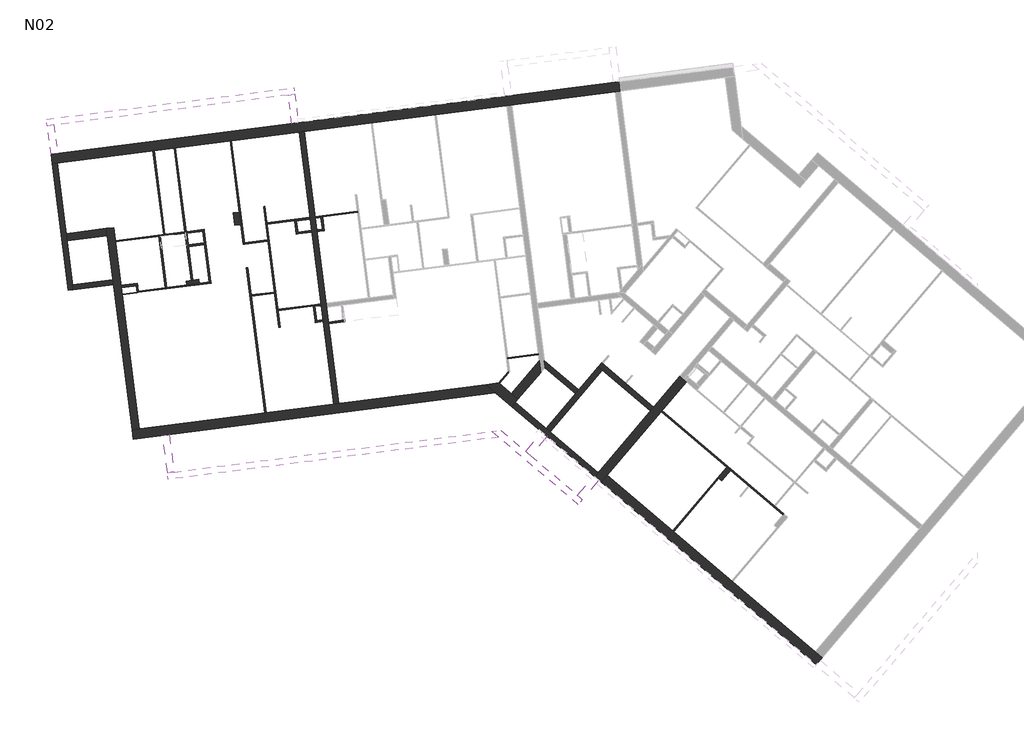
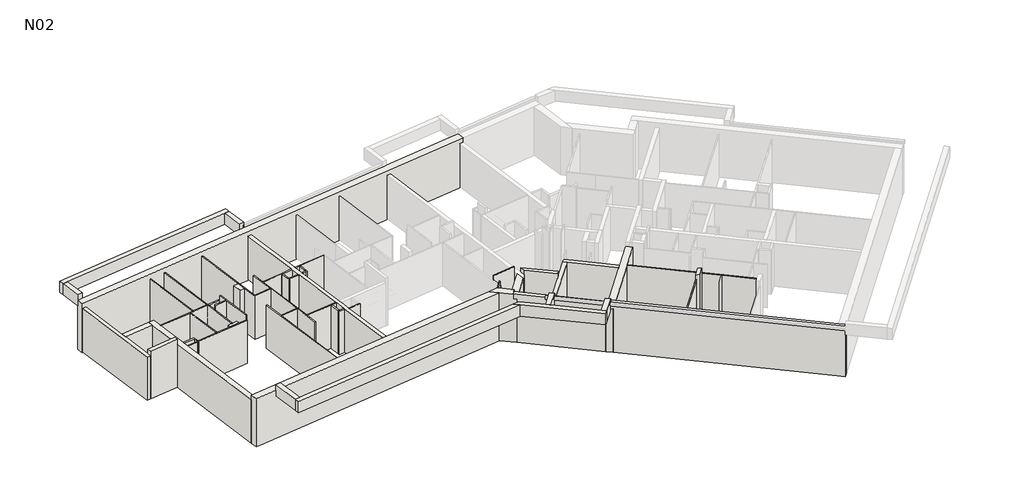
# One storey, part 1 of 3: 60 walls.
"""IFC4 building model written with IfcOpenShell, lengths in millimetres."""

import ifcopenshell
import ifcopenshell.guid

model = None  # the IFC model being written
_history = None  # IfcOwnerHistory: only IFC2X3 demands one
_inside = {}  # id of a spatial element -> (the spatial element, [elements in it])
_under = {}  # id of a project, library or spatial element -> (it, [spatial elements below it])
_declared = {}  # id of a project -> (the project, [libraries it declares])
_typed = {}  # id of a type object -> (the type object, [elements of that type])
_made_of = {}  # id of a material, layer set ... -> (it, [elements and type objects made of it])


def new_model(schema):
    """Start an empty IFC model of exactly this schema.

    Asked for "IFC4X3", IfcOpenShell would pick the latest addendum, in which some entities
    have other attributes; the version numbers below select the first issue.
    IFC2X3 requires an IfcOwnerHistory on every rooted entity: one is made here for all.
    """
    global model, _history
    if schema == "IFC4X3":
        model = ifcopenshell.file(schema_version=(4, 3, 0, 0))
    else:
        model = ifcopenshell.file(schema=schema)
    _inside.clear()
    _under.clear()
    _declared.clear()
    _typed.clear()
    _made_of.clear()
    _history = None
    if model.schema == "IFC2X3":
        org = make("IfcOrganization", Name="unknown")
        user = make(
            "IfcPersonAndOrganization",
            ThePerson=make("IfcPerson", FamilyName="unknown"),
            TheOrganization=org,
        )
        app = make(
            "IfcApplication",
            ApplicationDeveloper=org,
            Version="unknown",
            ApplicationFullName="unknown",
            ApplicationIdentifier="unknown",
        )
        _history = make(
            "IfcOwnerHistory",
            OwningUser=user,
            OwningApplication=app,
            ChangeAction="ADDED",
            CreationDate=0,
        )
    return model


def make(cls, **values):
    """One entity of the class cls with the attributes given. An attribute that is None is left unset."""
    return model.create_entity(
        cls, **{name: value for name, value in values.items() if value is not None}
    )


def rooted(cls, **values):
    """An entity with a GlobalId (a new one), such as an element, a storey or a relation."""
    return make(cls, GlobalId=ifcopenshell.guid.new(), OwnerHistory=_history, **values)


def si_unit(unit_type, name, prefix=None):
    """IfcSIUnit, for example si_unit("LENGTHUNIT", "METRE", prefix="MILLI")."""
    return make("IfcSIUnit", UnitType=unit_type, Prefix=prefix, Name=name)


def assignment(units):
    """IfcUnitAssignment: the units of a project."""
    return None if units is None else make("IfcUnitAssignment", Units=units)


def point(xyz):
    """IfcCartesianPoint."""
    return None if xyz is None else make("IfcCartesianPoint", Coordinates=xyz)


def direction(xyz):
    """IfcDirection."""
    return None if xyz is None else make("IfcDirection", DirectionRatios=xyz)


def frame(location, z_axis=None, x_axis=None):
    """IfcAxis2Placement3D, a coordinate frame: its origin and axes. An axis left out is left unset."""
    return make(
        "IfcAxis2Placement3D",
        Location=point(location),
        Axis=direction(z_axis),
        RefDirection=direction(x_axis),
    )


def origin():
    """The frame at (0, 0, 0) with its axes left unset."""
    return frame((0.0, 0.0, 0.0))


def place(relative_to, where):
    """IfcLocalPlacement: puts the frame where relative to a parent placement (None: the world)."""
    return make(
        "IfcLocalPlacement", PlacementRelTo=relative_to, RelativePlacement=where
    )


def context(
    kind, dimensions, precision=None, world=None, true_north=None, identifier=None
):
    """IfcGeometricRepresentationContext, for example the 3D "Model" context."""
    return make(
        "IfcGeometricRepresentationContext",
        ContextIdentifier=identifier,
        ContextType=kind,
        CoordinateSpaceDimension=dimensions,
        Precision=precision,
        WorldCoordinateSystem=world,
        TrueNorth=true_north,
    )


def project(units=None, contexts=None):
    """IfcProject with its units and contexts."""
    return rooted(
        "IfcProject",
        Name="project",
        RepresentationContexts=contexts,
        UnitsInContext=assignment(units),
    )


def spatial(cls, under=None, at=None, **own):
    """A site, building, storey or space (cls), placed at a placement, below another one or the project."""
    s = rooted(cls, ObjectPlacement=at, **own)
    if under is not None:
        _under.setdefault(under.id(), (under, []))[1].append(s)
    return s


def polyline(points):
    """IfcPolyline through the points."""
    return make("IfcPolyline", Points=[point(p) for p in points])


def outline(outer, holes=None, kind="AREA"):
    """IfcArbitraryClosedProfileDef: a profile drawn as a closed curve; with holes, ...WithVoids."""
    if holes is None:
        return make("IfcArbitraryClosedProfileDef", ProfileType=kind, OuterCurve=outer)
    return make(
        "IfcArbitraryProfileDefWithVoids",
        ProfileType=kind,
        OuterCurve=outer,
        InnerCurves=holes,
    )


def extrude(swept, where, along, depth):
    """IfcExtrudedAreaSolid: the profile swept, set in the frame where, extruded along a direction by depth."""
    return make(
        "IfcExtrudedAreaSolid",
        SweptArea=swept,
        Position=where,
        ExtrudedDirection=direction(along),
        Depth=depth,
    )


def faces_of(points, faces, orient=None, outer=None):
    """IfcFace entities. A face is a list of loops; a loop is a list of indices into points, from 0.

    orient and outer hold one flag for each loop. By default every Orientation is true, the
    first loop of a face is its IfcFaceOuterBound and the others are IfcFaceBound.
    """
    made = []
    for i, loops in enumerate(faces):
        bounds = []
        for j, loop in enumerate(loops):
            is_outer = j == 0 if outer is None else outer[i][j]
            bounds.append(
                make(
                    "IfcFaceOuterBound" if is_outer else "IfcFaceBound",
                    Bound=make("IfcPolyLoop", Polygon=[points[k] for k in loop]),
                    Orientation=True if orient is None else orient[i][j],
                )
            )
        made.append(make("IfcFace", Bounds=bounds))
    return made


def faceted_brep(points, faces, orient=None, outer=None, voids=None):
    """IfcFacetedBrep: a solid bounded by flat faces; with voids (closed shells), ...WithVoids."""
    shared = [point(p) for p in points]
    hull = make("IfcClosedShell", CfsFaces=faces_of(shared, faces, orient, outer))
    if voids is None:
        return make("IfcFacetedBrep", Outer=hull)
    return make(
        "IfcFacetedBrepWithVoids",
        Outer=hull,
        Voids=[
            make(cls, CfsFaces=faces_of(shared, fs, o, b)) for cls, fs, o, b in voids
        ],
    )


def shape(context_of_items, identifier, shape_type, items):
    """IfcShapeRepresentation: the items that make up one representation, for example the "Body"."""
    return make(
        "IfcShapeRepresentation",
        ContextOfItems=context_of_items,
        RepresentationIdentifier=identifier,
        RepresentationType=shape_type,
        Items=items,
    )


def made_of(thing, what):
    """Note that an element or type object is made of a material, layer set ...; save() writes the relation."""
    if what is not None:
        _made_of.setdefault(what.id(), (what, []))[1].append(thing)
    return thing


def element(
    cls,
    number,
    at=None,
    inside=None,
    cuts=None,
    type_object=None,
    material=None,
    context=None,
    identifier="Body",
    shape_type=None,
    held_by="IfcProductDefinitionShape",
    body=None,
    shapes=None,
    **own,
):
    """One element of the class cls, such as IfcWall. Its Tag is "e" and its number.

    at: its placement. inside: the storey or other place that contains it. cuts: it is an
    opening in that element (IfcRelVoidsElement). A single representation is given by context,
    identifier, shape_type and body (its items); several are given by shapes. held_by: the class
    of the entity that holds the representations. save() writes the other relations.
    """
    e = rooted(cls, Tag="e%d" % number, ObjectPlacement=at, **own)
    if body is not None:
        shapes = [shape(context, identifier, shape_type, body)]
    if shapes is not None:
        e.Representation = make(held_by, Representations=shapes)
    if inside is not None:
        _inside.setdefault(inside.id(), (inside, []))[1].append(e)
    if cuts is not None:
        rooted(
            "IfcRelVoidsElement", RelatingBuildingElement=cuts, RelatedOpeningElement=e
        )
    if type_object is not None:
        _typed.setdefault(type_object.id(), (type_object, []))[1].append(e)
    return made_of(e, material)


def aggregate(whole, parts):
    """IfcRelAggregates: a whole, such as a stair, and the parts it consists of."""
    return rooted("IfcRelAggregates", RelatingObject=whole, RelatedObjects=parts)


def save(model, path):
    """Write the relations noted so far, then the file.

    IfcRelAggregates (storeys below a building ...), IfcRelContainedInSpatialStructure (elements
    in a storey), IfcRelDefinesByType, IfcRelAssociatesMaterial and IfcRelDeclares: one each for
    every whole, place, type object, material and project.
    """
    for whole, parts in _under.values():
        aggregate(whole, parts)
    for where, things in _inside.values():
        rooted(
            "IfcRelContainedInSpatialStructure",
            RelatedElements=things,
            RelatingStructure=where,
        )
    for kind, things in _typed.values():
        rooted("IfcRelDefinesByType", RelatedObjects=things, RelatingType=kind)
    for what, things in _made_of.values():
        rooted("IfcRelAssociatesMaterial", RelatedObjects=things, RelatingMaterial=what)
    for by, libraries in _declared.values():
        rooted("IfcRelDeclares", RelatingContext=by, RelatedDefinitions=libraries)
    model.write(path)


model = new_model("IFC4")

# Units and contexts
model_context = context("Model", 3, world=origin())
ifc_project = project(units=[si_unit("LENGTHUNIT", "METRE", prefix="MILLI")], contexts=[model_context])

# Site, building, storey
site = spatial("IfcSite", under=ifc_project)
building = spatial("IfcBuilding", under=site)
storey = spatial("IfcBuildingStorey", under=building, Name="N02", Elevation=5840.0)

# Walls
placement = place(None, origin())
element("IfcWall", 1, at=placement, inside=storey, context=model_context, shape_type="Brep", body=[
    faceted_brep([(19080.8771151, 3373.318121, 5840.0), (18798.7778311, 3612.7340644, 5840.0), (15531.8242191, 6385.3776887, 5840.0), (15493.7026942, 6417.7311946, 5840.0), (13191.8131736, 8371.3308048, 5840.0), (13153.6916488, 8403.6843107, 5840.0), (10566.9673175, 10599.0214892, 5840.0), (10566.9673175, 10599.0214892, 8340.0), (10269.6194235, 10851.378835, 8340.0), (10269.6194235, 10851.378835, 8610.0), (10566.9673175, 10599.0214892, 8610.0), (18798.7778311, 3612.7340644, 8610.0), (19080.8771151, 3373.318121, 8610.0), (10327.551374, 10316.9222052, 5840.0), (18559.3618877, 3330.6347804, 5840.0), (18841.4611717, 3091.218837, 5840.0), (18841.4611717, 3091.218837, 8610.0), (10327.551374, 10316.9222052, 8610.0), (10030.2034801, 10569.279551, 8610.0), (10030.2034801, 10569.279551, 8340.0), (10060.7007, 10543.3967463, 8340.0), (10327.551374, 10316.9222052, 8340.0), (10172.5589059, 10737.0142604, 8610.0), (10172.5589059, 10737.0142604, 8340.0)], [[[0, 1, 2, 3, 4, 5, 6, 7, 8, 9, 10, 11, 12]], [[13, 14, 15, 16, 17, 18, 19, 20, 21]], [[6, 5, 4, 3, 2, 1, 0, 15, 14, 13]], [[12, 11, 10, 9, 22, 18, 17, 16]], [[0, 12, 16, 15]], [[6, 13, 21, 7]], [[18, 22, 9, 8, 23, 19]], [[8, 7, 21, 20, 19, 23]]]),
])
element("IfcWall", 2, at=placement, inside=storey, context=model_context, shape_type="Brep", body=[
    faceted_brep([(5758.2370181, 14194.8714572, 5840.0), (-70.9867131, 13449.8467438, 5840.0), (-269.3729541, 13424.4912832, 5840.0), (-7972.5911161, 12439.9540329, 5840.0), (-8260.2511655, 12403.1886151, 5840.0), (-8260.2511655, 12403.1886151, 8340.0), (-8260.2511655, 12403.1886151, 8610.0), (5758.2370181, 14194.8714572, 8610.0), (-8213.3435635, 12036.1740692, 5840.0), (-7925.683514, 12072.939487, 5840.0), (6140.2224716, 13870.6827304, 5840.0), (6140.2224716, 13870.6827304, 8610.0), (-8213.3435635, 12036.1740692, 8610.0)], [[[0, 1, 2, 3, 4, 5, 6, 7]], [[8, 9, 10, 11, 12]], [[4, 3, 2, 1, 0, 10, 9, 8]], [[7, 6, 12, 11]], [[0, 7, 11, 10]], [[6, 5, 4, 8, 12]]]),
])
element("IfcWall", 3, at=placement, inside=storey, context=model_context, shape_type="Brep", body=[
    faceted_brep([(10327.551374, 10316.9222052, 5840.0), (10566.9673175, 10599.0214892, 5840.0), (12710.0141102, 13124.1330466, 5840.0), (12742.3676161, 13162.2545715, 5840.0), (13700.7356476, 14291.4815212, 5840.0), (13700.7356476, 14291.4815212, 8340.0), (12742.3676161, 13162.2545715, 8340.0), (12710.0141102, 13124.1330466, 8340.0), (10566.9673175, 10599.0214892, 8340.0), (10327.551374, 10316.9222052, 8340.0), (13433.8849736, 14517.9560622, 5840.0), (12403.0945249, 13303.3951464, 5840.0), (12273.6805015, 13150.909047, 5840.0), (10203.0561258, 10711.1314557, 5840.0), (10060.7007, 10543.3967463, 5840.0), (10060.7007, 10543.3967463, 8340.0), (10203.0561258, 10711.1314557, 8340.0), (12273.6805015, 13150.909047, 8340.0), (12403.0945249, 13303.3951464, 8340.0), (13433.8849736, 14517.9560622, 8340.0), (13586.371073, 14388.5420388, 5840.0), (13647.3655128, 14336.7764294, 5840.0), (13586.371073, 14388.5420388, 8340.0)], [[[0, 1, 2, 3, 4, 5, 6, 7, 8, 9]], [[10, 11, 12, 13, 14, 15, 16, 17, 18, 19]], [[4, 3, 2, 1, 0, 14, 13, 12, 11, 10, 20, 21]], [[9, 8, 7, 6, 5, 22, 19, 18, 17, 16, 15]], [[0, 9, 15, 14]], [[5, 4, 21, 20, 10, 19, 22]]]),
])
element("IfcWall", 4, at=placement, inside=storey, context=model_context, shape_type="Brep", body=[
    faceted_brep([(12403.0945249, 13303.3951464, 5840.0), (11305.1946088, 14235.1761155, 5840.0), (11267.073084, 14267.5296214, 5840.0), (10382.6537071, 15018.1309575, 5840.0), (10344.5321823, 15050.4844634, 5840.0), (10344.5321823, 15050.4844634, 8340.0), (12403.0945249, 13303.3951464, 8340.0), (12273.6805015, 13150.909047, 5840.0), (12273.6805015, 13150.909047, 8340.0), (10367.6042582, 14768.5843405, 8340.0), (10215.1181588, 14897.9983639, 8340.0), (10215.1181588, 14897.9983639, 5840.0), (10367.6042582, 14768.5843405, 5840.0)], [[[0, 1, 2, 3, 4, 5, 6]], [[7, 8, 9, 10, 11, 12]], [[4, 3, 2, 1, 0, 7, 12, 11]], [[6, 5, 10, 9, 8]], [[5, 4, 11, 10]], [[0, 6, 8, 7]]]),
])
element("IfcWall", 5, at=placement, inside=storey, context=model_context, shape_type="SweptSolid", body=[
    extrude(outline(polyline([(8144.4937831, 12458.2207726), (10215.1181588, 14897.9983639), (10367.6042582, 14768.5843405), (8296.9798826, 12328.8067492), (8144.4937831, 12458.2207726)])), frame((0.0, 0.0, 5840.0), z_axis=(0.0, 0.0, 1.0), x_axis=(1.0, 0.0, 0.0)), (0.0, 0.0, 1.0), 2500.0),
])
element("IfcWall", 6, at=placement, inside=storey, context=model_context, shape_type="Brep", body=[
    faceted_brep([(7021.6826483, 13607.8829857, 5840.0), (7925.3724793, 14672.6836444, 5840.0), (7925.3724793, 14672.6836444, 8340.0), (7021.6826483, 13607.8829857, 8340.0), (6754.8319743, 13834.3575268, 5840.0), (6754.8319743, 13834.3575268, 8340.0), (7865.2890942, 15142.7881766, 8340.0), (7865.2890942, 15142.7881766, 5840.0), (6888.2573113, 13721.1202563, 8340.0)], [[[0, 1, 2, 3]], [[4, 5, 6, 7]], [[1, 0, 4, 7]], [[3, 2, 6, 5, 8]], [[2, 1, 7, 6]], [[0, 3, 8, 5, 4]]]),
])
element("IfcWall", 7, at=placement, inside=storey, context=model_context, shape_type="Brep", body=[
    faceted_brep([(10203.0561258, 10711.1314557, 5840.0), (8296.9798826, 12328.8067492, 5840.0), (8144.4937831, 12458.2207726, 5840.0), (6924.6221307, 13493.5184111, 5840.0), (6924.6221307, 13493.5184111, 8340.0), (6791.1967937, 13606.7556817, 8340.0), (6791.1967937, 13606.7556817, 8610.0), (6924.6221307, 13493.5184111, 8610.0), (10172.5589059, 10737.0142604, 8610.0), (10172.5589059, 10737.0142604, 8340.0), (10203.0561258, 10711.1314557, 8340.0), (6782.2667049, 13325.7837017, 5840.0), (10060.7007, 10543.3967463, 5840.0), (10060.7007, 10543.3967463, 8340.0), (10030.2034801, 10569.279551, 8340.0), (10030.2034801, 10569.279551, 8610.0), (6782.2667049, 13325.7837017, 8610.0), (6648.8413679, 13439.0209723, 8610.0), (6648.8413679, 13439.0209723, 8340.0), (6782.2667049, 13325.7837017, 8340.0)], [[[0, 1, 2, 3, 4, 5, 6, 7, 8, 9, 10]], [[11, 12, 13, 14, 15, 16, 17, 18, 19]], [[3, 2, 1, 0, 12, 11]], [[6, 17, 16, 15, 8, 7]], [[17, 6, 5, 18]], [[18, 5, 4, 19]], [[4, 3, 11, 19]], [[0, 10, 13, 12]], [[14, 9, 8, 15]], [[9, 14, 13, 10]]]),
])
element("IfcWall", 8, at=placement, inside=storey, context=model_context, shape_type="Brep", body=[
    faceted_brep([(7021.6826483, 13607.8829857, 5840.0), (6754.8319743, 13834.3575268, 5840.0), (6293.3261913, 14226.0346728, 5840.0), (6255.2046664, 14258.3881787, 5840.0), (6255.2046664, 14258.3881787, 8610.0), (6293.3261913, 14226.0346728, 8610.0), (6888.2573113, 13721.1202563, 8610.0), (6888.2573113, 13721.1202563, 8340.0), (7021.6826483, 13607.8829857, 8340.0), (6782.2667049, 13325.7837017, 5840.0), (6782.2667049, 13325.7837017, 8340.0), (6648.8413679, 13439.0209723, 8340.0), (6648.8413679, 13439.0209723, 8610.0), (6140.2224716, 13870.6827304, 8610.0), (5758.2370181, 14194.8714572, 8610.0), (5758.2370181, 14194.8714572, 5840.0), (6140.2224716, 13870.6827304, 5840.0), (6924.6221307, 13493.5184111, 5840.0), (6791.1967937, 13606.7556817, 8610.0), (6791.1967937, 13606.7556817, 8340.0), (6924.6221307, 13493.5184111, 8340.0)], [[[0, 1, 2, 3, 4, 5, 6, 7, 8]], [[9, 10, 11, 12, 13, 14, 15, 16]], [[3, 2, 1, 0, 17, 9, 16, 15]], [[6, 5, 4, 14, 13, 12, 18]], [[7, 6, 18, 12, 11, 19]], [[7, 19, 11, 10, 20, 8]], [[0, 8, 20, 10, 9, 17]], [[4, 3, 15, 14]]]),
])
element("IfcWall", 9, at=placement, inside=storey, context=model_context, shape_type="Brep", body=[
    faceted_brep([(8089.348342, 14865.8933062, 5840.0), (9309.2199944, 13830.5956677, 5840.0), (9309.2199944, 13830.5956677, 8610.0), (8089.348342, 14865.8933062, 8610.0), (8066.276266, 15147.7934292, 5840.0), (8066.276266, 15147.7934292, 8610.0), (9438.6340179, 13983.0817672, 8610.0), (9438.6340179, 13983.0817672, 5840.0), (8100.609629, 14879.1622679, 5840.0), (8100.609629, 14879.1622679, 8610.0), (8100.609629, 14879.1622679, 8340.0)], [[[0, 1, 2, 3]], [[4, 5, 6, 7]], [[1, 0, 8, 4, 7]], [[3, 2, 6, 5, 9]], [[2, 1, 7, 6]], [[0, 3, 9, 10, 8]], [[9, 5, 4, 8, 10]]]),
])
element("IfcWall", 10, at=placement, inside=storey, context=model_context, shape_type="Brep", body=[
    faceted_brep([(-11422.5288425, 22947.3623567, 5840.0), (-10780.4703476, 17923.7671021, 5840.0), (-10780.4703476, 17923.7671021, 8340.0), (-11422.5288425, 22947.3623567, 8340.0), (-11224.1426015, 22972.7178173, 5840.0), (-11224.1426015, 22972.7178173, 8340.0), (-10866.6306077, 20175.4718191, 8340.0), (-10829.8651899, 19887.8117696, 8340.0), (-10582.0841066, 17949.1225626, 8340.0), (-10582.0841066, 17949.1225626, 5840.0), (-10607.4395672, 18147.5088036, 5840.0), (-10829.8651899, 19887.8117696, 5840.0), (-10866.6306077, 20175.4718191, 5840.0)], [[[0, 1, 2, 3]], [[4, 5, 6, 7, 8, 9, 10, 11, 12]], [[1, 0, 4, 12, 11, 10, 9]], [[3, 2, 8, 7, 6, 5]], [[2, 1, 9, 8]], [[0, 3, 5, 4]]]),
])
element("IfcWall", 11, at=placement, inside=storey, context=model_context, shape_type="Brep", body=[
    faceted_brep([(-9279.5406797, 20378.3155035, 5840.0), (-9242.7752619, 20090.655454, 5840.0), (-9020.3496391, 18350.352488, 5840.0), (-8994.9941786, 18151.966247, 5840.0), (-8260.2511655, 12403.1886151, 5840.0), (-8260.2511655, 12403.1886151, 8340.0), (-9242.7752619, 20090.655454, 8340.0), (-9279.5406797, 20378.3155035, 8340.0), (-8991.8806302, 20415.0809213, 5840.0), (-8991.8806302, 20415.0809213, 8340.0), (-7972.5911161, 12439.9540329, 8340.0), (-7972.5911161, 12439.9540329, 5840.0)], [[[0, 1, 2, 3, 4, 5, 6, 7]], [[8, 9, 10, 11]], [[4, 3, 2, 1, 0, 8, 11]], [[7, 6, 5, 10, 9]], [[5, 4, 11, 10]], [[0, 7, 9, 8]]]),
])
element("IfcWall", 12, at=placement, inside=storey, context=model_context, shape_type="Brep", body=[
    faceted_brep([(-10582.0841066, 17949.1225626, 5840.0), (-8994.9941786, 18151.966247, 5840.0), (-8994.9941786, 18151.966247, 8610.0), (-10582.0841066, 17949.1225626, 8610.0), (-10582.0841066, 17949.1225626, 8340.0), (-10607.4395672, 18147.5088036, 5840.0), (-10607.4395672, 18147.5088036, 8610.0), (-9020.3496391, 18350.352488, 8610.0), (-9020.3496391, 18350.352488, 5840.0)], [[[0, 1, 2, 3, 4]], [[5, 6, 7, 8]], [[1, 0, 5, 8]], [[3, 2, 7, 6]], [[0, 4, 3, 6, 5]], [[2, 1, 8, 7]]]),
])
element("IfcWall", 13, at=placement, inside=storey, context=model_context, shape_type="Brep", body=[
    faceted_brep([(5996.4358323, 12340.1039215, 8280.0), (-6597.3795676, 10730.5064617, 8280.0), (-6855.2816809, 10697.544363, 8280.0), (-6855.2816809, 10697.544363, 8920.0), (-6597.3795676, 10730.5064617, 8920.0), (5996.4358323, 12340.1039215, 8920.0), (6264.8580429, 12112.2956269, 8280.0), (6264.8580429, 12112.2956269, 8920.0), (-6822.3195822, 10439.6422497, 8920.0), (-6822.3195822, 10439.6422497, 8280.0)], [[[0, 1, 2, 3, 4, 5]], [[6, 7, 8, 9]], [[2, 1, 0, 6, 9]], [[5, 4, 3, 8, 7]], [[3, 2, 9, 8]], [[0, 5, 7, 6]]]),
])
element("IfcWall", 14, at=placement, inside=storey, context=model_context, shape_type="SweptSolid", body=[
    extrude(outline(polyline([(-6787.5455217, 12218.4032693), (-6597.3795676, 10730.5064617), (-6855.2816809, 10697.544363), (-7045.447635, 12185.4411706), (-6787.5455217, 12218.4032693)])), frame((0.0, 0.0, 8280.0), z_axis=(0.0, 0.0, 1.0), x_axis=(1.0, 0.0, 0.0)), (0.0, 0.0, 1.0), 640.0),
])
element("IfcWall", 15, at=placement, inside=storey, context=model_context, shape_type="Brep", body=[
    faceted_brep([(-11422.5288425, 22947.3623567, 5780.0), (11059.542887, 25820.7636569, 5780.0), (11059.542887, 25820.7636569, 8610.0), (-11422.5288425, 22947.3623567, 8610.0), (-11422.5288425, 22947.3623567, 8340.0), (-11422.5288425, 22947.3623567, 5840.0), (-11469.4364445, 23314.3769026, 5780.0), (-11469.4364445, 23314.3769026, 8280.0), (-11469.4364445, 23314.3769026, 8610.0), (11012.6352849, 26187.7782028, 8610.0), (11012.6352849, 26187.7782028, 5780.0)], [[[0, 1, 2, 3, 4, 5]], [[6, 7, 8, 9, 10]], [[1, 0, 6, 10]], [[3, 2, 9, 8]], [[0, 5, 4, 3, 8, 7, 6]], [[1, 10, 9, 2]]]),
])
element("IfcWall", 16, at=placement, inside=storey, context=model_context, shape_type="Brep", body=[
    faceted_brep([(-70.9867131, 13449.8467438, 5840.0), (-473.9945737, 16603.0615871, 5840.0), (-482.8689849, 16672.4967715, 5840.0), (-557.6675935, 17257.7361824, 5840.0), (-577.951962, 17416.4451752, 5840.0), (-940.7002122, 20254.6607005, 5840.0), (-949.5746234, 20324.0958849, 5840.0), (-1007.8709805, 20780.2183489, 5840.0), (-1016.7453916, 20849.6535333, 5840.0), (-1447.788221, 24222.2196304, 5840.0), (-1447.788221, 24222.2196304, 8340.0), (-1016.7453916, 20849.6535333, 8340.0), (-1007.8709805, 20780.2183489, 8340.0), (-949.5746234, 20324.0958849, 8340.0), (-940.7002122, 20254.6607005, 8340.0), (-577.951962, 17416.4451752, 8340.0), (-557.6675935, 17257.7361824, 8340.0), (-482.8689849, 16672.4967715, 8340.0), (-473.9945737, 16603.0615871, 8340.0), (-70.9867131, 13449.8467438, 8340.0), (-269.3729541, 13424.4912832, 5840.0), (-269.3729541, 13424.4912832, 8340.0), (-687.1148175, 16692.9879378, 8340.0), (-695.9892287, 16762.4231222, 8340.0), (-767.4637918, 17321.6545303, 8340.0), (-776.338203, 17391.0897147, 8340.0), (-1139.0864532, 20229.30524, 8340.0), (-1147.9608644, 20298.7404243, 8340.0), (-1205.6445371, 20750.0691226, 8340.0), (-1214.5189483, 20819.5043069, 8340.0), (-1646.174462, 24196.8641698, 8340.0), (-1646.174462, 24196.8641698, 5840.0), (-1214.5189483, 20819.5043069, 5840.0), (-1205.6445371, 20750.0691226, 5840.0), (-1147.9608644, 20298.7404243, 5840.0), (-1139.0864532, 20229.30524, 5840.0), (-776.338203, 17391.0897147, 5840.0), (-767.4637918, 17321.6545303, 5840.0), (-695.9892287, 16762.4231222, 5840.0), (-687.1148175, 16692.9879378, 5840.0)], [[[0, 1, 2, 3, 4, 5, 6, 7, 8, 9, 10, 11, 12, 13, 14, 15, 16, 17, 18, 19]], [[20, 21, 22, 23, 24, 25, 26, 27, 28, 29, 30, 31, 32, 33, 34, 35, 36, 37, 38, 39]], [[9, 8, 7, 6, 5, 4, 3, 2, 1, 0, 20, 39, 38, 37, 36, 35, 34, 33, 32, 31]], [[19, 18, 17, 16, 15, 14, 13, 12, 11, 10, 30, 29, 28, 27, 26, 25, 24, 23, 22, 21]], [[0, 19, 21, 20]], [[10, 9, 31, 30]]]),
])
element("IfcWall", 17, at=placement, inside=storey, context=model_context, shape_type="Brep", body=[
    faceted_brep([(-11613.9625697, 24445.1784763, 8280.0), (-11356.0604564, 24478.140575, 8280.0), (-2075.6716784, 25664.2537367, 8280.0), (-1817.7695651, 25697.2158355, 8280.0), (-1817.7695651, 25697.2158355, 8920.0), (-2075.6716784, 25664.2537367, 8920.0), (-11356.0604564, 24478.140575, 8920.0), (-11613.9625697, 24445.1784763, 8920.0), (-11646.9246684, 24703.0805896, 8280.0), (-11646.9246684, 24703.0805896, 8920.0), (-1850.7316638, 25955.1179488, 8920.0), (-1850.7316638, 25955.1179488, 8280.0)], [[[0, 1, 2, 3, 4, 5, 6, 7]], [[8, 9, 10, 11]], [[3, 2, 1, 0, 8, 11]], [[7, 6, 5, 4, 10, 9]], [[0, 7, 9, 8]], [[4, 3, 11, 10]]]),
])
element("IfcWall", 18, at=placement, inside=storey, context=model_context, shape_type="Brep", body=[
    faceted_brep([(-11613.9625697, 24445.1784763, 8280.0), (-11469.4364445, 23314.3769026, 8280.0), (-11469.4364445, 23314.3769026, 8610.0), (-11469.4364445, 23314.3769026, 8920.0), (-11613.9625697, 24445.1784763, 8920.0), (-11356.0604564, 24478.140575, 8280.0), (-11356.0604564, 24478.140575, 8920.0), (-11211.5343312, 23347.3390013, 8920.0), (-11211.5343312, 23347.3390013, 8280.0)], [[[0, 1, 2, 3, 4]], [[5, 6, 7, 8]], [[1, 0, 5, 8]], [[4, 3, 7, 6]], [[0, 4, 6, 5]], [[1, 8, 7, 3, 2]]]),
])
element("IfcWall", 19, at=placement, inside=storey, context=model_context, shape_type="SweptSolid", body=[
    extrude(outline(polyline([(-1931.1455533, 24533.452163), (-2075.6716784, 25664.2537367), (-1817.7695651, 25697.2158355), (-1673.2434399, 24566.4142617), (-1931.1455533, 24533.452163)])), frame((0.0, 0.0, 8280.0), z_axis=(0.0, 0.0, 1.0), x_axis=(1.0, 0.0, 0.0)), (0.0, 0.0, 1.0), 640.0),
])
element("IfcWall", 20, at=placement, inside=storey, context=model_context, shape_type="Brep", body=[
    faceted_brep([(5996.4358323, 12340.1039215, 8280.0), (6264.8580429, 12112.2956269, 8280.0), (9413.1270615, 9440.3788939, 8280.0), (9413.1270615, 9440.3788939, 8920.0), (6264.8580429, 12112.2956269, 8920.0), (5996.4358323, 12340.1039215, 8920.0), (6345.6563419, 12384.7372933, 8280.0), (6345.6563419, 12384.7372933, 8920.0), (7332.195325, 11547.4676695, 8920.0), (7530.4272543, 11379.229439, 8920.0), (9383.1333627, 9806.8490537, 8920.0), (9581.365292, 9638.6108232, 8920.0), (9581.365292, 9638.6108232, 8280.0), (9383.1333627, 9806.8490537, 8280.0), (7530.4272543, 11379.229439, 8280.0), (7332.195325, 11547.4676695, 8280.0)], [[[0, 1, 2, 3, 4, 5]], [[6, 7, 8, 9, 10, 11, 12, 13, 14, 15]], [[2, 1, 0, 6, 15, 14, 13, 12]], [[5, 4, 3, 11, 10, 9, 8, 7]], [[0, 5, 7, 6]], [[3, 2, 12, 11]]]),
])
element("IfcWall", 21, at=placement, inside=storey, context=model_context, shape_type="Brep", body=[
    faceted_brep([(10030.2034801, 10569.279551, 8920.0), (10030.2034801, 10569.279551, 8610.0), (10030.2034801, 10569.279551, 8340.0), (10030.2034801, 10569.279551, 8280.0), (9383.1333627, 9806.8490537, 8280.0), (9383.1333627, 9806.8490537, 8920.0), (10228.4354094, 10401.0413205, 8280.0), (10228.4354094, 10401.0413205, 8920.0), (9581.365292, 9638.6108232, 8920.0), (9581.365292, 9638.6108232, 8280.0)], [[[0, 1, 2, 3, 4, 5]], [[6, 7, 8, 9]], [[4, 3, 6, 9]], [[7, 0, 5, 8]], [[5, 4, 9, 8]], [[6, 3, 2, 1, 0, 7]]]),
])
element("IfcWall", 22, at=placement, inside=storey, context=model_context, shape_type="SweptSolid", body=[
    extrude(outline(polyline([(7332.195325, 11547.4676695), (7979.2654424, 12309.8981668), (8177.4973717, 12141.6599362), (7530.4272543, 11379.229439), (7332.195325, 11547.4676695)])), frame((0.0, 0.0, 8280.0), z_axis=(0.0, 0.0, 1.0), x_axis=(1.0, 0.0, 0.0)), (0.0, 0.0, 1.0), 640.0),
])
element("IfcWall", 23, at=placement, inside=storey, context=model_context, shape_type="SweptSolid", body=[
    extrude(outline(polyline([(-9242.7752619, 20090.655454), (-10829.8651899, 19887.8117696), (-10866.6306077, 20175.4718191), (-9279.5406797, 20378.3155035), (-9242.7752619, 20090.655454)])), frame((0.0, 0.0, 5840.0), z_axis=(0.0, 0.0, 1.0), x_axis=(1.0, 0.0, 0.0)), (0.0, 0.0, 1.0), 2500.0),
])
element("IfcWall", 24, ObjectType="CLO 10", at=placement, inside=storey, context=model_context, shape_type="Brep", body=[
    faceted_brep([(-8686.9385737, 18029.1527228, 5840.0), (-8091.7798507, 18105.2191044, 5840.0), (-8042.1832904, 18111.5579696, 5840.0), (-8042.1832904, 18111.5579696, 8340.0), (-8091.7798507, 18105.2191044, 8340.0), (-8686.9385737, 18029.1527228, 8340.0), (-8699.616304, 18128.3458433, 5840.0), (-8699.616304, 18128.3458433, 8340.0), (-8054.8610207, 18210.7510901, 8340.0), (-8054.8610207, 18210.7510901, 5840.0)], [[[0, 1, 2, 3, 4, 5]], [[6, 7, 8, 9]], [[2, 1, 0, 6, 9]], [[5, 4, 3, 8, 7]], [[0, 5, 7, 6]], [[3, 2, 9, 8]]]),
])
element("IfcWall", 25, ObjectType="CLO 2", at=placement, inside=storey, context=model_context, shape_type="SweptSolid", body=[
    extrude(outline(polyline([(-8655.244248, 17781.1699215), (-8060.085525, 17857.2363032), (-8057.549979, 17837.3976791), (-8652.708702, 17761.3312974), (-8655.244248, 17781.1699215)])), frame((0.0, 0.0, 5840.0), z_axis=(0.0, 0.0, 1.0), x_axis=(1.0, 0.0, 0.0)), (0.0, 0.0, 1.0), 2500.0),
])
element("IfcWall", 26, ObjectType="CLO 5", at=placement, inside=storey, context=model_context, shape_type="SweptSolid", body=[
    extrude(outline(polyline([(7836.5338475, 15367.7750306), (6626.3777773, 15213.1067212), (6620.0389122, 15262.7032815), (7830.1949823, 15417.3715908), (7836.5338475, 15367.7750306)])), frame((0.0, 0.0, 5840.0), z_axis=(0.0, 0.0, 1.0), x_axis=(1.0, 0.0, 0.0)), (0.0, 0.0, 1.0), 2770.0),
])
element("IfcWall", 27, ObjectType="CLO 5", at=placement, inside=storey, context=model_context, shape_type="SweptSolid", body=[
    extrude(outline(polyline([(672.7679817, 21015.1810896), (-712.827165, 20838.0901638), (-719.1660301, 20887.6867241), (666.4291166, 21064.7776499), (672.7679817, 21015.1810896)])), frame((0.0, 0.0, 5840.0), z_axis=(0.0, 0.0, 1.0), x_axis=(1.0, 0.0, 0.0)), (0.0, 0.0, 1.0), 2500.0),
])
element("IfcWall", 28, ObjectType="CLO 5", at=placement, inside=storey, context=model_context, shape_type="Brep", body=[
    faceted_brep([(6293.3261913, 14226.0346728, 5840.0), (6648.6217842, 14644.672759, 5840.0), (6648.6217842, 14644.672759, 8340.0), (6648.6217842, 14644.672759, 8610.0), (6293.3261913, 14226.0346728, 8610.0), (6255.2046664, 14258.3881787, 5840.0), (6255.2046664, 14258.3881787, 8610.0), (6640.0384435, 14711.8305493, 8610.0), (6640.0384435, 14711.8305493, 5840.0)], [[[0, 1, 2, 3, 4]], [[5, 6, 7, 8]], [[1, 0, 5, 8]], [[4, 3, 7, 6]], [[0, 4, 6, 5]], [[3, 2, 1, 8, 7]]]),
])
element("IfcWall", 29, ObjectType="CLO 5", at=placement, inside=storey, context=model_context, shape_type="SweptSolid", body=[
    extrude(outline(polyline([(-7011.026644, 20140.0247343), (-7434.9653983, 23457.0071138), (-7385.368838, 23463.3459789), (-6961.4300838, 20146.3635995), (-7011.026644, 20140.0247343)])), frame((0.0, 0.0, 5840.0), z_axis=(0.0, 0.0, 1.0), x_axis=(1.0, 0.0, 0.0)), (0.0, 0.0, 1.0), 2500.0),
])
element("IfcWall", 30, ObjectType="CLO 5", at=placement, inside=storey, context=model_context, shape_type="Brep", body=[
    faceted_brep([(-8919.1150046, 19845.7479798, 5840.0), (-7198.1143639, 20065.7066, 5840.0), (-7148.5178036, 20072.0454652, 5840.0), (-6161.5462546, 20198.1888814, 5840.0), (-6161.5462546, 20198.1888814, 8340.0), (-7148.5178036, 20072.0454652, 8340.0), (-7198.1143639, 20065.7066, 8340.0), (-8919.1150046, 19845.7479798, 8340.0), (-8925.4538698, 19895.34454, 5840.0), (-8925.4538698, 19895.34454, 8340.0), (-7011.026644, 20140.0247343, 8340.0), (-6961.4300838, 20146.3635995, 8340.0), (-6167.8851198, 20247.7854417, 8340.0), (-6167.8851198, 20247.7854417, 5840.0), (-6961.4300838, 20146.3635995, 5840.0), (-7011.026644, 20140.0247343, 5840.0)], [[[0, 1, 2, 3, 4, 5, 6, 7]], [[8, 9, 10, 11, 12, 13, 14, 15]], [[3, 2, 1, 0, 8, 15, 14, 13]], [[7, 6, 5, 4, 12, 11, 10, 9]], [[0, 7, 9, 8]], [[4, 3, 13, 12]]]),
])
element("IfcWall", 31, ObjectType="CLO 5", at=placement, inside=storey, context=model_context, shape_type="Brep", body=[
    faceted_brep([(-4373.9852759, 23848.2265872, 5840.0), (-3849.8924524, 19747.6185558, 5840.0), (-3849.8924524, 19747.6185558, 8340.0), (-4373.9852759, 23848.2265872, 8340.0), (-4324.3887156, 23854.5654524, 5840.0), (-4324.3887156, 23854.5654524, 8340.0), (-3806.6347573, 19803.5539812, 8340.0), (-3800.2958922, 19753.9574209, 8340.0), (-3800.2958922, 19753.9574209, 5840.0), (-3806.6347573, 19803.5539812, 5840.0)], [[[0, 1, 2, 3]], [[4, 5, 6, 7, 8, 9]], [[1, 0, 4, 9, 8]], [[3, 2, 7, 6, 5]], [[0, 3, 5, 4]], [[2, 1, 8, 7]]]),
])
element("IfcWall", 32, ObjectType="CLO 5", at=placement, inside=storey, context=model_context, shape_type="SweptSolid", body=[
    extrude(outline(polyline([(-2920.640621, 20601.4473462), (-1829.5162954, 20740.9023792), (-1823.1774303, 20691.305819), (-2914.3017558, 20551.8507859), (-2920.640621, 20601.4473462)])), frame((0.0, 0.0, 5840.0), z_axis=(0.0, 0.0, 1.0), x_axis=(1.0, 0.0, 0.0)), (0.0, 0.0, 1.0), 2500.0),
])
element("IfcWall", 33, ObjectType="CLO 5", at=placement, inside=storey, context=model_context, shape_type="SweptSolid", body=[
    extrude(outline(polyline([(-2614.4616827, 17811.4491721), (-3536.9577034, 17693.5462805), (-3543.2965685, 17743.1428408), (-2620.8005478, 17861.0457323), (-2614.4616827, 17811.4491721)])), frame((0.0, 0.0, 5840.0), z_axis=(0.0, 0.0, 1.0), x_axis=(1.0, 0.0, 0.0)), (0.0, 0.0, 1.0), 2500.0),
])
element("IfcWall", 34, ObjectType="CLO 5", at=placement, inside=storey, context=model_context, shape_type="Brep", body=[
    faceted_brep([(-3053.1217016, 21243.6136977, 5840.0), (-2884.1387366, 19921.4568728, 5840.0), (-2877.7998715, 19871.8603125, 5840.0), (-2620.8005478, 17861.0457323, 5840.0), (-2614.4616827, 17811.4491721, 5840.0), (-2442.8330504, 16468.5921119, 5840.0), (-2442.8330504, 16468.5921119, 8340.0), (-2614.4616827, 17811.4491721, 8340.0), (-2620.8005478, 17861.0457323, 8340.0), (-2877.7998715, 19871.8603125, 8340.0), (-2884.1387366, 19921.4568728, 8340.0), (-3053.1217016, 21243.6136977, 8340.0), (-3003.5251414, 21249.9525628, 5840.0), (-3003.5251414, 21249.9525628, 8340.0), (-2920.640621, 20601.4473462, 8340.0), (-2914.3017558, 20551.8507859, 8340.0), (-2482.4598756, 17173.0327539, 8340.0), (-2476.1210105, 17123.4361937, 8340.0), (-2393.2364901, 16474.9309771, 8340.0), (-2393.2364901, 16474.9309771, 5840.0), (-2476.1210105, 17123.4361937, 5840.0), (-2482.4598756, 17173.0327539, 5840.0), (-2914.3017558, 20551.8507859, 5840.0), (-2920.640621, 20601.4473462, 5840.0)], [[[0, 1, 2, 3, 4, 5, 6, 7, 8, 9, 10, 11]], [[12, 13, 14, 15, 16, 17, 18, 19, 20, 21, 22, 23]], [[5, 4, 3, 2, 1, 0, 12, 23, 22, 21, 20, 19]], [[6, 5, 19, 18]], [[11, 10, 9, 8, 7, 6, 18, 17, 16, 15, 14, 13]], [[0, 11, 13, 12]]]),
])
element("IfcWall", 35, ObjectType="CLO 5", at=placement, inside=storey, context=model_context, shape_type="Brep", body=[
    faceted_brep([(-2476.1210105, 17123.4361937, 5840.0), (-1087.4173235, 17300.9244176, 5840.0), (-1017.9821391, 17309.7988287, 5840.0), (-1017.9821391, 17309.7988287, 8340.0), (-1087.4173235, 17300.9244176, 8340.0), (-2476.1210105, 17123.4361937, 8340.0), (-2482.4598756, 17173.0327539, 5840.0), (-2482.4598756, 17173.0327539, 8340.0), (-1024.3210043, 17359.395389, 8340.0), (-1024.3210043, 17359.395389, 5840.0)], [[[0, 1, 2, 3, 4, 5]], [[6, 7, 8, 9]], [[2, 1, 0, 6, 9]], [[5, 4, 3, 8, 7]], [[3, 2, 9, 8]], [[0, 5, 7, 6]]]),
])
element("IfcWall", 36, ObjectType="CLO 5", at=placement, inside=storey, context=model_context, shape_type="Brep", body=[
    faceted_brep([(-3731.9895609, 18825.1225351, 5840.0), (-2997.1837679, 13075.8537006, 5840.0), (-2997.1837679, 13075.8537006, 8340.0), (-3731.9895609, 18825.1225351, 8340.0), (-3682.3930006, 18831.4614003, 5840.0), (-3682.3930006, 18831.4614003, 8340.0), (-3543.2965685, 17743.1428408, 8340.0), (-3536.9577034, 17693.5462805, 8340.0), (-2947.5872077, 13082.1925658, 8340.0), (-2947.5872077, 13082.1925658, 5840.0), (-3536.9577034, 17693.5462805, 5840.0), (-3543.2965685, 17743.1428408, 5840.0)], [[[0, 1, 2, 3]], [[4, 5, 6, 7, 8, 9, 10, 11]], [[1, 0, 4, 11, 10, 9]], [[2, 1, 9, 8]], [[3, 2, 8, 7, 6, 5]], [[0, 3, 5, 4]]]),
])
element("IfcWall", 37, ObjectType="CLO 5", at=placement, inside=storey, context=model_context, shape_type="Brep", body=[
    faceted_brep([(-8091.7798507, 18105.2191044, 5840.0), (-8060.085525, 17857.2363032, 5840.0), (-8057.549979, 17837.3976791, 5840.0), (-8057.549979, 17837.3976791, 8340.0), (-8060.085525, 17857.2363032, 8340.0), (-8091.7798507, 18105.2191044, 8340.0), (-8042.1832904, 18111.5579696, 5840.0), (-8042.1832904, 18111.5579696, 8340.0), (-8014.2922838, 17893.3331045, 8340.0), (-8007.9534187, 17843.7365442, 8340.0), (-8007.9534187, 17843.7365442, 5840.0), (-8014.2922838, 17893.3331045, 5840.0)], [[[0, 1, 2, 3, 4, 5]], [[6, 7, 8, 9, 10, 11]], [[2, 1, 0, 6, 11, 10]], [[5, 4, 3, 9, 8, 7]], [[3, 2, 10, 9]], [[0, 5, 7, 6]]]),
])
element("IfcWall", 38, ObjectType="CLO 5", at=placement, inside=storey, context=model_context, shape_type="SweptSolid", body=[
    extrude(outline(polyline([(-6938.0469264, 18030.886478), (-7198.1143639, 20065.7066), (-7148.5178036, 20072.0454652), (-6888.4503661, 18037.2253431), (-6938.0469264, 18030.886478)])), frame((0.0, 0.0, 5840.0), z_axis=(0.0, 0.0, 1.0), x_axis=(1.0, 0.0, 0.0)), (0.0, 0.0, 1.0), 2500.0),
])
element("IfcWall", 39, ObjectType="CLO 5", at=placement, inside=storey, context=model_context, shape_type="Brep", body=[
    faceted_brep([(-5137.6917893, 18260.9872825, 5840.0), (-6888.4503661, 18037.2253431, 5840.0), (-6938.0469264, 18030.886478, 5840.0), (-8014.2922838, 17893.3331045, 5840.0), (-8014.2922838, 17893.3331045, 8340.0), (-6938.0469264, 18030.886478, 8340.0), (-6888.4503661, 18037.2253431, 8340.0), (-5137.6917893, 18260.9872825, 8340.0), (-5137.6917893, 18260.9872825, 8320.0), (-5131.3529241, 18211.3907222, 5840.0), (-5131.3529241, 18211.3907222, 8340.0), (-8007.9534187, 17843.7365442, 8340.0), (-8007.9534187, 17843.7365442, 5840.0)], [[[0, 1, 2, 3, 4, 5, 6, 7, 8]], [[9, 10, 11, 12]], [[3, 2, 1, 0, 9, 12]], [[7, 6, 5, 4, 11, 10]], [[0, 8, 7, 10, 9]], [[4, 3, 12, 11]]]),
])
element("IfcWall", 40, ObjectType="CLO 5", at=placement, inside=storey, context=model_context, shape_type="SweptSolid", body=[
    extrude(outline(polyline([(-6542.2273138, 23571.1066863), (-6118.2885595, 20254.1243068), (-6167.8851198, 20247.7854417), (-6591.823874, 23564.7678211), (-6542.2273138, 23571.1066863)])), frame((0.0, 0.0, 5840.0), z_axis=(0.0, 0.0, 1.0), x_axis=(1.0, 0.0, 0.0)), (0.0, 0.0, 1.0), 2500.0),
])
element("IfcWall", 41, ObjectType="CLO 5", at=placement, inside=storey, context=model_context, shape_type="Brep", body=[
    faceted_brep([(-2884.1387366, 19921.4568728, 5840.0), (-3806.6347573, 19803.5539812, 5840.0), (-3806.6347573, 19803.5539812, 8340.0), (-2884.1387366, 19921.4568728, 8340.0), (-2877.7998715, 19871.8603125, 5840.0), (-2877.7998715, 19871.8603125, 7940.0), (-2877.7998715, 19871.8603125, 8340.0), (-3800.2958922, 19753.9574209, 8340.0), (-3800.2958922, 19753.9574209, 5840.0)], [[[0, 1, 2, 3]], [[4, 5, 6, 7, 8]], [[1, 0, 4, 8]], [[3, 2, 7, 6]], [[0, 3, 6, 5, 4]], [[2, 1, 8, 7]]]),
])
element("IfcWall", 42, ObjectType="CLO 5", at=placement, inside=storey, context=model_context, shape_type="Brep", body=[
    faceted_brep([(12710.0141102, 13124.1330466, 5840.0), (15296.7384415, 10928.7958681, 5840.0), (15449.224541, 10799.3818446, 5840.0), (16158.2849035, 10197.6066355, 5840.0), (16196.4064283, 10165.2531296, 5840.0), (17522.3849124, 9039.9032696, 5840.0), (17522.3849124, 9039.9032696, 8340.0), (16196.4064283, 10165.2531296, 8340.0), (16158.2849035, 10197.6066355, 8340.0), (12710.0141102, 13124.1330466, 8340.0), (12742.3676161, 13162.2545715, 5840.0), (12742.3676161, 13162.2545715, 8340.0), (17173.5231696, 9401.5598532, 8340.0), (17211.6446945, 9369.2063473, 8340.0), (17554.7384183, 9078.0247945, 8340.0), (17554.7384183, 9078.0247945, 5840.0), (17211.6446945, 9369.2063473, 5840.0), (17173.5231696, 9401.5598532, 5840.0)], [[[0, 1, 2, 3, 4, 5, 6, 7, 8, 9]], [[10, 11, 12, 13, 14, 15, 16, 17]], [[5, 4, 3, 2, 1, 0, 10, 17, 16, 15]], [[6, 5, 15, 14]], [[9, 8, 7, 6, 14, 13, 12, 11]], [[0, 9, 11, 10]]]),
])
element("IfcWall", 43, ObjectType="CLO 5", at=placement, inside=storey, context=model_context, shape_type="SweptSolid", body=[
    extrude(outline(polyline([(14980.9620482, 10479.4511298), (13191.8131736, 8371.3308048), (13153.6916488, 8403.6843107), (14942.8405234, 10511.8046357), (14980.9620482, 10479.4511298)])), frame((0.0, 0.0, 5840.0), z_axis=(0.0, 0.0, 1.0), x_axis=(1.0, 0.0, 0.0)), (0.0, 0.0, 1.0), 2500.0),
])
element("IfcWall", 44, ObjectType="CLO 7", at=placement, inside=storey, context=model_context, shape_type="Brep", body=[
    faceted_brep([(-1007.8709805, 20780.2183489, 5840.0), (-779.7268033, 20809.3771286, 5840.0), (-710.2916189, 20818.2515397, 5840.0), (-710.2916189, 20818.2515397, 8340.0), (-779.7268033, 20809.3771286, 8340.0), (-1007.8709805, 20780.2183489, 8340.0), (-1016.7453916, 20849.6535333, 5840.0), (-1016.7453916, 20849.6535333, 8340.0), (-719.1660301, 20887.6867241, 8340.0), (-719.1660301, 20887.6867241, 5840.0), (-712.827165, 20838.0901638, 5840.0), (-712.827165, 20838.0901638, 8340.0)], [[[0, 1, 2, 3, 4, 5]], [[6, 7, 8, 9]], [[2, 1, 0, 6, 9, 10]], [[5, 4, 3, 11, 8, 7]], [[3, 2, 10, 9, 8, 11]], [[0, 5, 7, 6]]]),
])
element("IfcWall", 45, ObjectType="CLO 7", at=placement, inside=storey, context=model_context, shape_type="Brep", body=[
    faceted_brep([(-779.7268033, 20809.3771286, 5840.0), (-721.4304462, 20353.2546645, 5840.0), (-712.556035, 20283.8194801, 5840.0), (-712.556035, 20283.8194801, 8340.0), (-721.4304462, 20353.2546645, 8340.0), (-779.7268033, 20809.3771286, 8340.0), (-710.2916189, 20818.2515397, 5840.0), (-710.2916189, 20818.2515397, 8340.0), (-643.1208507, 20292.6938913, 8340.0), (-643.1208507, 20292.6938913, 5840.0)], [[[0, 1, 2, 3, 4, 5]], [[6, 7, 8, 9]], [[2, 1, 0, 6, 9]], [[5, 4, 3, 8, 7]], [[3, 2, 9, 8]], [[0, 5, 7, 6]]]),
])
element("IfcWall", 46, ObjectType="CLO 7", at=placement, inside=storey, context=model_context, shape_type="SweptSolid", body=[
    extrude(outline(polyline([(-949.5746234, 20324.0958849), (-721.4304462, 20353.2546645), (-712.556035, 20283.8194801), (-940.7002122, 20254.6607005), (-949.5746234, 20324.0958849)])), frame((0.0, 0.0, 5840.0), z_axis=(0.0, 0.0, 1.0), x_axis=(1.0, 0.0, 0.0)), (0.0, 0.0, 1.0), 2500.0),
])
element("IfcWall", 47, ObjectType="CLO 7", at=placement, inside=storey, context=model_context, shape_type="Brep", body=[
    faceted_brep([(-473.9945737, 16603.0615871, 5840.0), (170.7607095, 16685.4668339, 5840.0), (170.7607095, 16685.4668339, 8340.0), (-473.9945737, 16603.0615871, 8340.0), (-482.8689849, 16672.4967715, 5840.0), (-482.8689849, 16672.4967715, 8340.0), (92.451114, 16746.0276071, 8340.0), (161.8862983, 16754.9020183, 8340.0), (161.8862983, 16754.9020183, 5840.0), (92.451114, 16746.0276071, 5840.0)], [[[0, 1, 2, 3]], [[4, 5, 6, 7, 8, 9]], [[1, 0, 4, 9, 8]], [[3, 2, 7, 6, 5]], [[2, 1, 8, 7]], [[0, 3, 5, 4]]]),
])
element("IfcWall", 48, ObjectType="CLO 7", at=placement, inside=storey, context=model_context, shape_type="Brep", body=[
    faceted_brep([(-5852.3280012, 18330.9521633, 5840.0), (-6021.6183438, 19655.5139725, 5840.0), (-6030.492755, 19724.9491568, 5840.0), (-6089.5755242, 20187.2246685, 5840.0), (-6098.4499354, 20256.6598529, 5840.0), (-6098.4499354, 20256.6598529, 8340.0), (-6089.5755242, 20187.2246685, 8340.0), (-5852.3280012, 18330.9521633, 8340.0), (-5921.7631856, 18322.0777521, 5840.0), (-5921.7631856, 18322.0777521, 8340.0), (-6161.5462546, 20198.1888814, 8340.0), (-6167.8851198, 20247.7854417, 8340.0), (-6167.8851198, 20247.7854417, 5840.0), (-6161.5462546, 20198.1888814, 5840.0), (-6118.2885595, 20254.1243068, 5840.0), (-6118.2885595, 20254.1243068, 8340.0)], [[[0, 1, 2, 3, 4, 5, 6, 7]], [[8, 9, 10, 11, 12, 13]], [[4, 3, 2, 1, 0, 8, 13, 12, 14]], [[7, 6, 5, 15, 11, 10, 9]], [[0, 7, 9, 8]], [[5, 4, 14, 12, 11, 15]]]),
])
element("IfcWall", 49, ObjectType="CLO 7", at=placement, inside=storey, context=model_context, shape_type="Brep", body=[
    faceted_brep([(-1214.5189483, 20819.5043069, 5840.0), (-1829.5162954, 20740.9023792, 5840.0), (-1829.5162954, 20740.9023792, 8340.0), (-1214.5189483, 20819.5043069, 8340.0), (-1205.6445371, 20750.0691226, 5840.0), (-1205.6445371, 20750.0691226, 8340.0), (-1751.2066999, 20680.3416061, 8340.0), (-1820.6418843, 20671.4671949, 8340.0), (-1820.6418843, 20671.4671949, 5840.0), (-1751.2066999, 20680.3416061, 5840.0), (-1823.1774303, 20691.305819, 5840.0), (-1823.1774303, 20691.305819, 8340.0)], [[[0, 1, 2, 3]], [[4, 5, 6, 7, 8, 9]], [[1, 0, 4, 9, 8, 10]], [[3, 2, 11, 7, 6, 5]], [[2, 1, 10, 8, 7, 11]], [[0, 3, 5, 4]]]),
])
element("IfcWall", 50, ObjectType="CLO 7", at=placement, inside=storey, context=model_context, shape_type="Brep", body=[
    faceted_brep([(-1820.6418843, 20671.4671949, 5840.0), (-1754.0838003, 20150.7033122, 5840.0), (-1754.0838003, 20150.7033122, 8340.0), (-1820.6418843, 20671.4671949, 8340.0), (-1751.2066999, 20680.3416061, 5840.0), (-1751.2066999, 20680.3416061, 8340.0), (-1693.5230271, 20229.0129078, 8340.0), (-1684.648616, 20159.5777234, 8340.0), (-1684.648616, 20159.5777234, 5840.0), (-1693.5230271, 20229.0129078, 5840.0)], [[[0, 1, 2, 3]], [[4, 5, 6, 7, 8, 9]], [[1, 0, 4, 9, 8]], [[3, 2, 7, 6, 5]], [[0, 3, 5, 4]], [[2, 1, 8, 7]]]),
])
element("IfcWall", 51, ObjectType="CLO 7", at=placement, inside=storey, context=model_context, shape_type="SweptSolid", body=[
    extrude(outline(polyline([(-1139.0864532, 20229.30524), (-1684.648616, 20159.5777234), (-1693.5230271, 20229.0129078), (-1147.9608644, 20298.7404243), (-1139.0864532, 20229.30524)])), frame((0.0, 0.0, 5840.0), z_axis=(0.0, 0.0, 1.0), x_axis=(1.0, 0.0, 0.0)), (0.0, 0.0, 1.0), 2500.0),
])
element("IfcWall", 52, ObjectType="CLO 7", at=placement, inside=storey, context=model_context, shape_type="Brep", body=[
    faceted_brep([(-695.9892287, 16762.4231222, 5840.0), (-943.9720299, 16730.7287965, 5840.0), (-1013.4072143, 16721.8543853, 5840.0), (-1013.4072143, 16721.8543853, 8340.0), (-943.9720299, 16730.7287965, 8340.0), (-695.9892287, 16762.4231222, 8340.0), (-687.1148175, 16692.9879378, 5840.0), (-687.1148175, 16692.9879378, 8340.0), (-1004.5328031, 16652.4192009, 8340.0), (-1004.5328031, 16652.4192009, 5840.0)], [[[0, 1, 2, 3, 4, 5]], [[6, 7, 8, 9]], [[2, 1, 0, 6, 9]], [[5, 4, 3, 8, 7]], [[3, 2, 9, 8]], [[0, 5, 7, 6]]]),
])
element("IfcWall", 53, ObjectType="CLO 7", at=placement, inside=storey, context=model_context, shape_type="Brep", body=[
    faceted_brep([(-943.9720299, 16730.7287965, 5840.0), (-1015.4465931, 17289.9602046, 5840.0), (-1017.9821391, 17309.7988287, 5840.0), (-1017.9821391, 17309.7988287, 8340.0), (-1015.4465931, 17289.9602046, 8340.0), (-943.9720299, 16730.7287965, 8340.0), (-1013.4072143, 16721.8543853, 5840.0), (-1013.4072143, 16721.8543853, 8340.0), (-1087.4173235, 17300.9244176, 8340.0), (-1087.4173235, 17300.9244176, 5840.0)], [[[0, 1, 2, 3, 4, 5]], [[6, 7, 8, 9]], [[2, 1, 0, 6, 9]], [[5, 4, 3, 8, 7]], [[0, 5, 7, 6]], [[3, 2, 9, 8]]]),
])
element("IfcWall", 54, ObjectType="CLO 7", at=placement, inside=storey, context=model_context, shape_type="Brep", body=[
    faceted_brep([(-1015.4465931, 17289.9602046, 5840.0), (-767.4637918, 17321.6545303, 5840.0), (-767.4637918, 17321.6545303, 8340.0), (-1015.4465931, 17289.9602046, 8340.0), (-1024.3210043, 17359.395389, 5840.0), (-1024.3210043, 17359.395389, 8340.0), (-776.338203, 17391.0897147, 8340.0), (-776.338203, 17391.0897147, 5840.0), (-1017.9821391, 17309.7988287, 5840.0), (-1017.9821391, 17309.7988287, 8340.0)], [[[0, 1, 2, 3]], [[4, 5, 6, 7]], [[1, 0, 8, 4, 7]], [[3, 2, 6, 5, 9]], [[0, 3, 9, 5, 4, 8]], [[2, 1, 7, 6]]]),
])
element("IfcWall", 55, ObjectType="CLO 7", at=placement, inside=storey, context=model_context, shape_type="Brep", body=[
    faceted_brep([(-6089.5755242, 20187.2246685, 5840.0), (-5464.6588651, 20267.0943693, 5840.0), (-5395.2236807, 20275.9687805, 5840.0), (-5395.2236807, 20275.9687805, 8340.0), (-6089.5755242, 20187.2246685, 8340.0), (-6098.4499354, 20256.6598529, 5840.0), (-6098.4499354, 20256.6598529, 8340.0), (-5404.0980919, 20345.4039648, 8340.0), (-5404.0980919, 20345.4039648, 5840.0)], [[[0, 1, 2, 3, 4]], [[5, 6, 7, 8]], [[2, 1, 0, 5, 8]], [[4, 3, 7, 6]], [[3, 2, 8, 7]], [[0, 4, 6, 5]]]),
])
element("IfcWall", 56, ObjectType="CLO 7", at=placement, inside=storey, context=model_context, shape_type="Brep", body=[
    faceted_brep([(-5464.6588651, 20267.0943693, 5840.0), (-5405.5760958, 19804.8188576, 5840.0), (-5396.7016846, 19735.3836732, 5840.0), (-5207.1269736, 18252.1128713, 5840.0), (-5207.1269736, 18252.1128713, 8610.0), (-5396.7016846, 19735.3836732, 8610.0), (-5405.5760958, 19804.8188576, 8610.0), (-5464.6588651, 20267.0943693, 8610.0), (-5395.2236807, 20275.9687805, 5840.0), (-5395.2236807, 20275.9687805, 8340.0), (-5395.2236807, 20275.9687805, 8610.0), (-5137.6917893, 18260.9872825, 8610.0), (-5137.6917893, 18260.9872825, 8340.0), (-5137.6917893, 18260.9872825, 5840.0)], [[[0, 1, 2, 3, 4, 5, 6, 7]], [[8, 9, 10, 11, 12, 13]], [[3, 2, 1, 0, 8, 13]], [[7, 6, 5, 4, 11, 10]], [[4, 3, 13, 12, 11]], [[0, 7, 10, 9, 8]]]),
])
element("IfcWall", 57, ObjectType="CLO 7", at=placement, inside=storey, context=model_context, shape_type="SweptSolid", body=[
    extrude(outline(polyline([(-6030.492755, 19724.9491568), (-5405.5760958, 19804.8188576), (-5396.7016846, 19735.3836732), (-6021.6183438, 19655.5139725), (-6030.492755, 19724.9491568)])), frame((0.0, 0.0, 5840.0), z_axis=(0.0, 0.0, 1.0), x_axis=(1.0, 0.0, 0.0)), (0.0, 0.0, 1.0), 2770.0),
])
element("IfcWall", 58, ObjectType="EXT 16 ST", at=placement, inside=storey, context=model_context, shape_type="SweptSolid", body=[
    extrude(outline(polyline([(-6119.2770716, 18296.833786), (-5623.3113604, 18360.2224513), (-5603.026992, 18201.5134585), (-6098.9927032, 18138.1247932), (-6119.2770716, 18296.833786)])), frame((0.0, 0.0, 5840.0), z_axis=(0.0, 0.0, 1.0), x_axis=(1.0, 0.0, 0.0)), (0.0, 0.0, 1.0), 2500.0),
])
element("IfcWall", 59, ObjectType="EXT 20 ST", at=placement, inside=storey, context=model_context, shape_type="Brep", body=[
    faceted_brep([(15095.3266228, 10382.3906122, 5840.0), (15449.224541, 10799.3818446, 5840.0), (15449.224541, 10799.3818446, 7940.0), (15449.224541, 10799.3818446, 8610.0), (15095.3266228, 10382.3906122, 8610.0), (14942.8405234, 10511.8046357, 5840.0), (14942.8405234, 10511.8046357, 8610.0), (15296.7384415, 10928.7958681, 8610.0), (15296.7384415, 10928.7958681, 7940.0), (15296.7384415, 10928.7958681, 5840.0), (14980.9620482, 10479.4511298, 5840.0)], [[[0, 1, 2, 3, 4]], [[5, 6, 7, 8, 9]], [[1, 0, 10, 5, 9]], [[4, 3, 7, 6]], [[0, 4, 6, 5, 10]], [[3, 2, 1, 9, 8, 7]]]),
])
element("IfcWall", 60, ObjectType="EXT 25 ST", at=placement, inside=storey, context=model_context, shape_type="SweptSolid", body=[
    extrude(outline(polyline([(-4198.0293229, 20499.5498821), (-4261.4179742, 20995.5154846), (-4013.435173, 21027.2098103), (-3950.0465216, 20531.2442078), (-4198.0293229, 20499.5498821)])), frame((0.0, 0.0, 5840.0), z_axis=(0.0, 0.0, 1.0), x_axis=(1.0, 0.0, 0.0)), (0.0, 0.0, 1.0), 2500.0),
])

save(model, "model.ifc")
